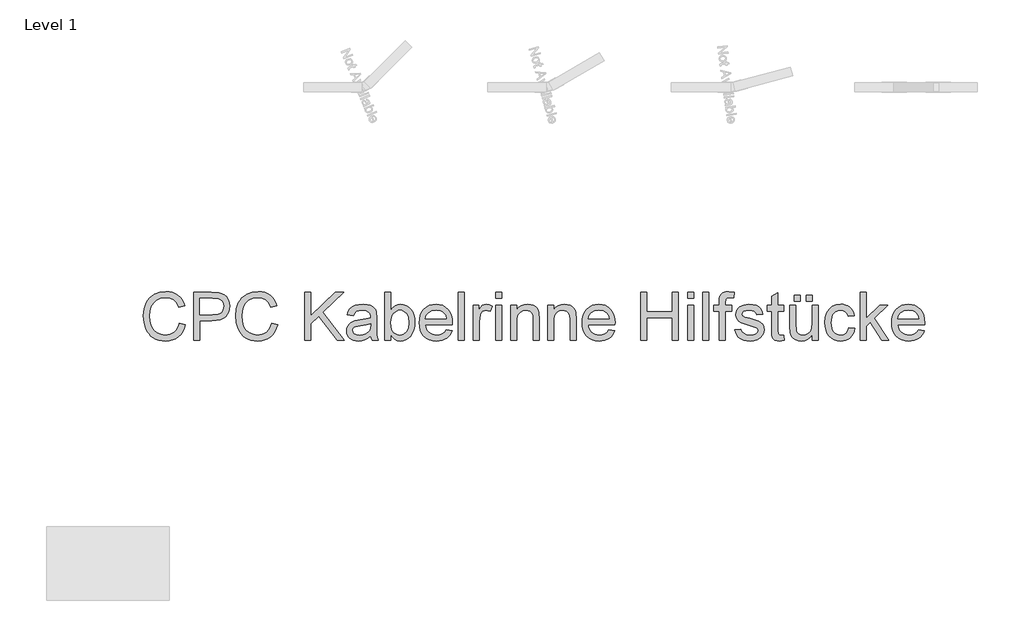
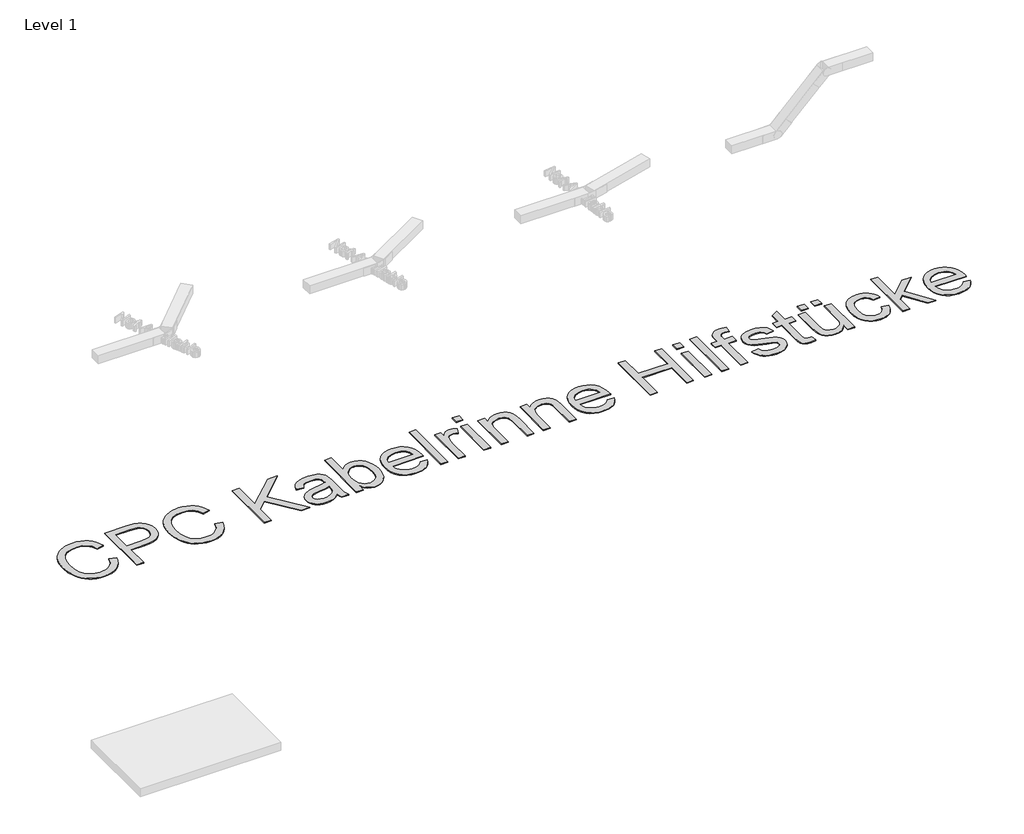
# One storey, part 15 of 15: 1 proxy.
"""IFC4 building model written with IfcOpenShell, lengths in millimetres."""

import ifcopenshell
import ifcopenshell.guid

model = None  # the IFC model being written
_history = None  # IfcOwnerHistory: only IFC2X3 demands one
_inside = {}  # id of a spatial element -> (the spatial element, [elements in it])
_under = {}  # id of a project, library or spatial element -> (it, [spatial elements below it])
_declared = {}  # id of a project -> (the project, [libraries it declares])
_typed = {}  # id of a type object -> (the type object, [elements of that type])
_made_of = {}  # id of a material, layer set ... -> (it, [elements and type objects made of it])


def new_model(schema):
    """Start an empty IFC model of exactly this schema.

    Asked for "IFC4X3", IfcOpenShell would pick the latest addendum, in which some entities
    have other attributes; the version numbers below select the first issue.
    IFC2X3 requires an IfcOwnerHistory on every rooted entity: one is made here for all.
    """
    global model, _history
    if schema == "IFC4X3":
        model = ifcopenshell.file(schema_version=(4, 3, 0, 0))
    else:
        model = ifcopenshell.file(schema=schema)
    _inside.clear()
    _under.clear()
    _declared.clear()
    _typed.clear()
    _made_of.clear()
    _history = None
    if model.schema == "IFC2X3":
        org = make("IfcOrganization", Name="unknown")
        user = make(
            "IfcPersonAndOrganization",
            ThePerson=make("IfcPerson", FamilyName="unknown"),
            TheOrganization=org,
        )
        app = make(
            "IfcApplication",
            ApplicationDeveloper=org,
            Version="unknown",
            ApplicationFullName="unknown",
            ApplicationIdentifier="unknown",
        )
        _history = make(
            "IfcOwnerHistory",
            OwningUser=user,
            OwningApplication=app,
            ChangeAction="ADDED",
            CreationDate=0,
        )
    return model


def make(cls, **values):
    """One entity of the class cls with the attributes given. An attribute that is None is left unset."""
    return model.create_entity(
        cls, **{name: value for name, value in values.items() if value is not None}
    )


def rooted(cls, **values):
    """An entity with a GlobalId (a new one), such as an element, a storey or a relation."""
    return make(cls, GlobalId=ifcopenshell.guid.new(), OwnerHistory=_history, **values)


def si_unit(unit_type, name, prefix=None):
    """IfcSIUnit, for example si_unit("LENGTHUNIT", "METRE", prefix="MILLI")."""
    return make("IfcSIUnit", UnitType=unit_type, Prefix=prefix, Name=name)


def assignment(units):
    """IfcUnitAssignment: the units of a project."""
    return None if units is None else make("IfcUnitAssignment", Units=units)


def point(xyz):
    """IfcCartesianPoint."""
    return None if xyz is None else make("IfcCartesianPoint", Coordinates=xyz)


def direction(xyz):
    """IfcDirection."""
    return None if xyz is None else make("IfcDirection", DirectionRatios=xyz)


def frame(location, z_axis=None, x_axis=None):
    """IfcAxis2Placement3D, a coordinate frame: its origin and axes. An axis left out is left unset."""
    return make(
        "IfcAxis2Placement3D",
        Location=point(location),
        Axis=direction(z_axis),
        RefDirection=direction(x_axis),
    )


def origin():
    """The frame at (0, 0, 0) with its axes left unset."""
    return frame((0.0, 0.0, 0.0))


def origin_with_axes():
    """The frame at (0, 0, 0) with the z axis (0, 0, 1) and the x axis (1, 0, 0) written out."""
    return frame((0.0, 0.0, 0.0), z_axis=(0.0, 0.0, 1.0), x_axis=(1.0, 0.0, 0.0))


def place(relative_to, where):
    """IfcLocalPlacement: puts the frame where relative to a parent placement (None: the world)."""
    return make(
        "IfcLocalPlacement", PlacementRelTo=relative_to, RelativePlacement=where
    )


def context(
    kind, dimensions, precision=None, world=None, true_north=None, identifier=None
):
    """IfcGeometricRepresentationContext, for example the 3D "Model" context."""
    return make(
        "IfcGeometricRepresentationContext",
        ContextIdentifier=identifier,
        ContextType=kind,
        CoordinateSpaceDimension=dimensions,
        Precision=precision,
        WorldCoordinateSystem=world,
        TrueNorth=true_north,
    )


def project(units=None, contexts=None):
    """IfcProject with its units and contexts."""
    return rooted(
        "IfcProject",
        Name="project",
        RepresentationContexts=contexts,
        UnitsInContext=assignment(units),
    )


def spatial(cls, under=None, at=None, **own):
    """A site, building, storey or space (cls), placed at a placement, below another one or the project."""
    s = rooted(cls, ObjectPlacement=at, **own)
    if under is not None:
        _under.setdefault(under.id(), (under, []))[1].append(s)
    return s


def polyline(points):
    """IfcPolyline through the points."""
    return make("IfcPolyline", Points=[point(p) for p in points])


def outline(outer, holes=None, kind="AREA"):
    """IfcArbitraryClosedProfileDef: a profile drawn as a closed curve; with holes, ...WithVoids."""
    if holes is None:
        return make("IfcArbitraryClosedProfileDef", ProfileType=kind, OuterCurve=outer)
    return make(
        "IfcArbitraryProfileDefWithVoids",
        ProfileType=kind,
        OuterCurve=outer,
        InnerCurves=holes,
    )


def extrude(swept, where, along, depth):
    """IfcExtrudedAreaSolid: the profile swept, set in the frame where, extruded along a direction by depth."""
    return make(
        "IfcExtrudedAreaSolid",
        SweptArea=swept,
        Position=where,
        ExtrudedDirection=direction(along),
        Depth=depth,
    )


def shape(context_of_items, identifier, shape_type, items):
    """IfcShapeRepresentation: the items that make up one representation, for example the "Body"."""
    return make(
        "IfcShapeRepresentation",
        ContextOfItems=context_of_items,
        RepresentationIdentifier=identifier,
        RepresentationType=shape_type,
        Items=items,
    )


def made_of(thing, what):
    """Note that an element or type object is made of a material, layer set ...; save() writes the relation."""
    if what is not None:
        _made_of.setdefault(what.id(), (what, []))[1].append(thing)
    return thing


def element(
    cls,
    number,
    at=None,
    inside=None,
    cuts=None,
    type_object=None,
    material=None,
    context=None,
    identifier="Body",
    shape_type=None,
    held_by="IfcProductDefinitionShape",
    body=None,
    shapes=None,
    **own,
):
    """One element of the class cls, such as IfcWall. Its Tag is "e" and its number.

    at: its placement. inside: the storey or other place that contains it. cuts: it is an
    opening in that element (IfcRelVoidsElement). A single representation is given by context,
    identifier, shape_type and body (its items); several are given by shapes. held_by: the class
    of the entity that holds the representations. save() writes the other relations.
    """
    e = rooted(cls, Tag="e%d" % number, ObjectPlacement=at, **own)
    if body is not None:
        shapes = [shape(context, identifier, shape_type, body)]
    if shapes is not None:
        e.Representation = make(held_by, Representations=shapes)
    if inside is not None:
        _inside.setdefault(inside.id(), (inside, []))[1].append(e)
    if cuts is not None:
        rooted(
            "IfcRelVoidsElement", RelatingBuildingElement=cuts, RelatedOpeningElement=e
        )
    if type_object is not None:
        _typed.setdefault(type_object.id(), (type_object, []))[1].append(e)
    return made_of(e, material)


def aggregate(whole, parts):
    """IfcRelAggregates: a whole, such as a stair, and the parts it consists of."""
    return rooted("IfcRelAggregates", RelatingObject=whole, RelatedObjects=parts)


def save(model, path):
    """Write the relations noted so far, then the file.

    IfcRelAggregates (storeys below a building ...), IfcRelContainedInSpatialStructure (elements
    in a storey), IfcRelDefinesByType, IfcRelAssociatesMaterial and IfcRelDeclares: one each for
    every whole, place, type object, material and project.
    """
    for whole, parts in _under.values():
        aggregate(whole, parts)
    for where, things in _inside.values():
        rooted(
            "IfcRelContainedInSpatialStructure",
            RelatedElements=things,
            RelatingStructure=where,
        )
    for kind, things in _typed.values():
        rooted("IfcRelDefinesByType", RelatedObjects=things, RelatingType=kind)
    for what, things in _made_of.values():
        rooted("IfcRelAssociatesMaterial", RelatedObjects=things, RelatingMaterial=what)
    for by, libraries in _declared.values():
        rooted("IfcRelDeclares", RelatingContext=by, RelatedDefinitions=libraries)
    model.write(path)


model = new_model("IFC4")

# Units and contexts
model_context = context("Model", 3, world=origin())
ifc_project = project(units=[si_unit("LENGTHUNIT", "METRE", prefix="MILLI")], contexts=[model_context])

# Site, building, storey
site = spatial("IfcSite", under=ifc_project)
building = spatial("IfcBuilding", under=site)
storey = spatial("IfcBuildingStorey", under=building, Name="Level 1", Elevation=0.0)

# Proxy
placement = place(None, origin())
element("IfcBuildingElementProxy", 1, Name="400mm", ObjectType="400mm", at=placement, inside=storey, context=model_context, shape_type="SweptSolid", body=[
    extrude(outline(polyline([(19171.0981237, -14471.3277461), (19220.0678207, -14483.9527461), (19210.3778941, -14514.4063741), (19197.47194, -14541.0163114), (19181.3499585, -14563.7825578), (19162.0119495, -14582.7051135), (19139.8942885, -14597.5807349), (19115.433351, -14608.2061788), (19088.629137, -14614.5814452), (19059.4816465, -14616.7065339), (19029.6198152, -14615.0985202), (19002.6811019, -14610.274479), (18978.6655065, -14602.2344104), (18957.573029, -14590.9783142), (18939.1137487, -14576.6735676), (18922.9977449, -14559.4875472), (18909.2250177, -14539.4202532), (18897.7955669, -14516.4716854), (18882.4088482, -14465.8999525), (18877.2799419, -14411.7415718), (18883.0783557, -14354.618229), (18890.326373, -14328.9796755), (18900.4735972, -14305.2898673), (18913.292874, -14283.9403467), (18928.5570489, -14265.3226561), (18946.2661221, -14249.4367955), (18966.4200934, -14236.282765), (19011.324923, -14218.6005917), (19060.5337298, -14212.7065339), (19088.5424597, -14214.613435), (19114.2258463, -14220.3341381), (19137.5838896, -14229.8686433), (19158.6165896, -14243.2169506), (19176.9772371, -14260.0263729), (19192.3191228, -14279.9442233), (19204.6422466, -14302.9705017), (19213.9466086, -14329.1052082), (19164.9769116, -14340.7737688), (19148.0001124, -14305.0627129), (19124.8064571, -14280.5659089), (19095.1090139, -14266.3986504), (19058.620851, -14261.6762309), (19016.5614286, -14266.9127366), (18982.0100555, -14282.6222536), (18955.7916607, -14307.1549241), (18938.731173, -14338.86089), (18929.3700224, -14374.7034563), (18926.2496389, -14411.6459279), (18929.943886, -14456.8855112), (18941.0266275, -14496.0038824), (18959.9163055, -14527.506605), (18987.0313624, -14549.8992423), (19019.5383463, -14563.2774383), (19054.6038055, -14567.736837), (19075.8935487, -14566.2184894), (19095.4796341, -14561.6634468), (19113.3620619, -14554.0717091), (19129.5408321, -14543.4432764), (19143.6333688, -14529.8259705), (19155.2570963, -14513.2676135), (19164.4120146, -14493.7682053), (19171.0981237, -14471.3277461)])), origin_with_axes(), (0.0, 0.0, 1.0), 5.0),
    extrude(outline(polyline([(19287.401154, -14610.5853218), (19287.401154, -14218.8277461), (19432.588654, -14218.8277461), (19491.1227449, -14222.5578597), (19517.2215849, -14229.5279118), (19538.7056048, -14240.8736741), (19556.0052023, -14257.1092328), (19569.5507752, -14278.7486741), (19578.3021957, -14304.2736504), (19581.2193358, -14332.1658142), (19579.2496685, -14356.2142872), (19573.3406663, -14378.337926), (19563.4923295, -14398.5367304), (19549.7046578, -14416.8107006), (19530.7761244, -14431.9583095), (19505.5052023, -14442.7780301), (19473.8918915, -14449.2698625), (19435.9361919, -14451.4338067), (19336.370851, -14451.4338067), (19336.370851, -14610.5853218), (19287.401154, -14610.5853218)]), holes=[polyline([(19336.370851, -14402.4641097), (19438.8055101, -14402.4641097), (19482.2278586, -14397.9688445), (19498.4155953, -14392.3497631), (19510.9210404, -14384.4830491), (19520.2523022, -14374.5779236), (19526.9174893, -14362.8436078), (19532.2496389, -14333.8874051), (19529.1053444, -14311.8892991), (19519.6724608, -14293.3343748), (19505.1226266, -14279.3703597), (19486.6274798, -14271.1449809), (19437.6577828, -14267.797443), (19336.370851, -14267.797443), (19336.370851, -14402.4641097)])]), origin_with_axes(), (0.0, 0.0, 1.0), 5.0),
    extrude(outline(polyline([(19924.0072146, -14471.3277461), (19972.9769116, -14483.9527461), (19963.286985, -14514.4063741), (19950.3810309, -14541.0163114), (19934.2590494, -14563.7825578), (19914.9210404, -14582.7051135), (19892.8033794, -14597.5807349), (19868.3424419, -14608.2061788), (19841.5382279, -14614.5814452), (19812.3907374, -14616.7065339), (19782.5289062, -14615.0985202), (19755.5901929, -14610.274479), (19731.5745974, -14602.2344104), (19710.4821199, -14590.9783142), (19692.0228396, -14576.6735676), (19675.9068358, -14559.4875472), (19662.1341086, -14539.4202532), (19650.7046578, -14516.4716854), (19635.3179391, -14465.8999525), (19630.1890328, -14411.7415718), (19635.9874466, -14354.618229), (19643.2354639, -14328.9796755), (19653.3826881, -14305.2898673), (19666.2019649, -14283.9403467), (19681.4661398, -14265.3226561), (19699.175213, -14249.4367955), (19719.3291843, -14236.282765), (19764.2340139, -14218.6005917), (19813.4428207, -14212.7065339), (19841.4515506, -14214.613435), (19867.1349372, -14220.3341381), (19890.4929805, -14229.8686433), (19911.5256805, -14243.2169506), (19929.886328, -14260.0263729), (19945.2282137, -14279.9442233), (19957.5513375, -14302.9705017), (19966.8556995, -14329.1052082), (19917.8860025, -14340.7737688), (19900.9092033, -14305.0627129), (19877.715548, -14280.5659089), (19848.0181048, -14266.3986504), (19811.5299419, -14261.6762309), (19769.4705196, -14266.9127366), (19734.9191465, -14282.6222536), (19708.7007516, -14307.1549241), (19691.6402639, -14338.86089), (19682.2791133, -14374.7034563), (19679.1587298, -14411.6459279), (19682.8529769, -14456.8855112), (19693.9357184, -14496.0038824), (19712.8253965, -14527.506605), (19739.9404533, -14549.8992423), (19772.4474372, -14563.2774383), (19807.5128965, -14567.736837), (19828.8026396, -14566.2184894), (19848.3887251, -14561.6634468), (19866.2711528, -14554.0717091), (19882.449923, -14543.4432764), (19896.5424597, -14529.8259705), (19908.1661872, -14513.2676135), (19917.3211055, -14493.7682053), (19924.0072146, -14471.3277461)])), origin_with_axes(), (0.0, 0.0, 1.0), 5.0),
    extrude(outline(polyline([(20193.340548, -14610.5853218), (20193.340548, -14218.8277461), (20242.3102449, -14218.8277461), (20242.3102449, -14410.5938445), (20443.1625177, -14218.8277461), (20511.6435783, -14218.8277461), (20343.0233131, -14379.89214), (20517.7647904, -14610.5853218), (20457.8916843, -14610.5853218), (20308.3045631, -14412.984943), (20242.3102449, -14475.9186551), (20242.3102449, -14610.5853218), (20193.340548, -14610.5853218)])), origin_with_axes(), (0.0, 0.0, 1.0), 5.0),
    extrude(outline(polyline([(20732.0072146, -14573.8580491), (20708.610316, -14593.9193654), (20684.5199987, -14607.0464961), (20659.1863103, -14614.2915245), (20632.059298, -14616.7065339), (20610.2554687, -14615.2539416), (20591.1356474, -14610.8961646), (20574.6998342, -14603.633203), (20560.948029, -14593.4650567), (20550.089453, -14581.0373223), (20542.3333273, -14566.9955964), (20537.6796519, -14551.3398791), (20536.1284268, -14534.0701703), (20538.4717033, -14513.7697442), (20545.5015328, -14495.3343748), (20556.3451644, -14479.5531248), (20570.1298472, -14467.2150567), (20604.4181995, -14451.1468748), (20646.7884646, -14443.7822915), (20696.8580669, -14436.0351324), (20731.7202828, -14426.9489582), (20732.0072146, -14416.0455491), (20728.6357658, -14394.1909089), (20718.5214192, -14379.89214), (20695.9016275, -14369.2756627), (20664.3869495, -14365.736837), (20635.215548, -14368.092069), (20614.8433889, -14375.157765), (20600.9511067, -14388.2251182), (20591.2193358, -14408.5853218), (20542.2496389, -14402.4641097), (20550.749994, -14375.6838067), (20563.4347715, -14354.64214), (20581.487565, -14338.5500472), (20606.0919684, -14326.6184658), (20636.1839429, -14319.2299714), (20670.6994495, -14316.76714), (20703.804208, -14318.9430396), (20730.0465139, -14325.4707385), (20749.8328538, -14335.2861978), (20763.5697146, -14347.3253786), (20772.6797999, -14362.2099667), (20778.5858131, -14380.5616476), (20780.9769116, -14423.4101324), (20780.9769116, -14484.3353218), (20783.463654, -14569.4106059), (20793.2193358, -14610.5853218), (20744.2496389, -14610.5853218), (20736.4068358, -14593.5607006), (20732.0072146, -14573.8580491)]), holes=[polyline([(20732.0072146, -14475.9186551), (20699.1056995, -14484.072301), (20653.0053207, -14490.9347536), (20610.8741654, -14498.8732006), (20599.9109788, -14504.3009942), (20591.7931995, -14511.7851324), (20586.7718927, -14520.7517517), (20585.0981237, -14530.6269885), (20588.7445489, -14545.1887783), (20599.6838245, -14557.1203597), (20617.6768406, -14565.0827176), (20642.4844874, -14567.736837), (20668.7865707, -14564.8077413), (20692.028048, -14556.0204544), (20710.869904, -14543.0726561), (20723.9731237, -14527.6620264), (20729.783493, -14511.7851324), (20731.7202828, -14489.7870264), (20732.0072146, -14475.9186551)])]), origin_with_axes(), (0.0, 0.0, 1.0), 5.0),
    extrude(outline(polyline([(20897.2799419, -14610.5853218), (20848.3102449, -14610.5853218), (20848.3102449, -14218.8277461), (20897.2799419, -14218.8277461), (20897.2799419, -14364.11089), (20913.3839902, -14343.3979994), (20931.5682942, -14328.6030775), (20951.8328538, -14319.7261244), (20974.1776692, -14316.76714), (20999.4037582, -14319.4332148), (21023.2430101, -14327.4314392), (21044.3324987, -14340.2596826), (21061.309298, -14357.4158142), (21074.615761, -14378.7324572), (21084.6942411, -14404.0422347), (21091.0426076, -14432.2930633), (21093.1587298, -14462.4328597), (21090.9678858, -14497.2113872), (21084.3953538, -14527.8054923), (21073.4411339, -14554.215175), (21058.105226, -14576.4404354), (21039.6967565, -14594.0568535), (21019.5248519, -14606.6400093), (20997.5895122, -14614.1899028), (20973.8907374, -14616.7065339), (20950.8106592, -14613.4606177), (20930.348834, -14603.7228692), (20912.5052615, -14587.4932882), (20897.2799419, -14564.7718748), (20897.2799419, -14610.5853218)]), holes=[polyline([(20897.2799419, -14464.7283142), (20900.6274798, -14505.5682764), (20910.6700934, -14533.2093748), (20922.5359197, -14548.3151395), (20936.3265802, -14559.1049714), (20952.042075, -14565.5788706), (20969.682404, -14567.736837), (20984.3278822, -14566.1467565), (20997.9451881, -14561.376515), (21022.0952828, -14542.2955491), (21031.7612984, -14528.0147134), (21038.6655953, -14510.6134942), (21044.1890328, -14466.4499051), (21038.8927497, -14421.6407195), (21032.2723957, -14404.2933), (21023.0039002, -14390.3173294), (20999.6070016, -14371.8819601), (20986.2497277, -14367.2731177), (20971.7865707, -14365.736837), (20957.1410925, -14367.3269175), (20943.5237866, -14372.0971589), (20919.3736919, -14391.1781248), (20909.7076763, -14405.3154946), (20902.8033794, -14422.2863161), (20897.2799419, -14464.7283142)])]), origin_with_axes(), (0.0, 0.0, 1.0), 5.0),
    extrude(outline(polyline([(21349.6757752, -14524.8883521), (21397.6890328, -14531.0095642), (21390.3274384, -14550.2399738), (21380.3894353, -14567.1868843), (21367.8750236, -14581.8502958), (21352.7842033, -14594.2302082), (21335.2723957, -14604.0636007), (21315.4950224, -14611.0874525), (21269.1435783, -14616.7065339), (21238.7586943, -14614.2825578), (21211.6854817, -14607.0106296), (21187.9239405, -14594.8907491), (21167.4740707, -14577.9229165), (21151.0292909, -14556.5793737), (21139.2830196, -14531.3323625), (21132.2352568, -14502.1818831), (21129.8860025, -14469.1279354), (21132.2591678, -14434.9531604), (21139.3786635, -14404.8312972), (21151.2444897, -14378.762346), (21167.8566465, -14356.7463067), (21188.2527165, -14339.2554212), (21211.4702828, -14326.7619317), (21237.5093453, -14319.2658379), (21266.369904, -14316.76714), (21294.3009232, -14319.2598602), (21319.5598898, -14326.7380207), (21342.1468039, -14339.2016215), (21362.0616654, -14356.6506627), (21378.3181462, -14378.6188801), (21389.9299182, -14404.6400093), (21396.8969814, -14434.7140505), (21399.2193358, -14468.8410036), (21398.932404, -14482.0398673), (21178.8556995, -14482.0398673), (21181.6921401, -14501.5811196), (21187.3321436, -14518.695407), (21195.7757101, -14533.3827295), (21207.0228396, -14545.643087), (21235.4410451, -14562.2133995), (21270.1000177, -14567.736837), (21296.1629911, -14565.1783616), (21318.1132752, -14557.5029354), (21335.9508699, -14544.2323389), (21349.6757752, -14524.8883521)]), holes=[polyline([(21178.8556995, -14433.0701703), (21350.2496389, -14433.0701703), (21343.6262961, -14407.1984847), (21330.6426313, -14388.6913824), (21317.2883463, -14378.6487688), (21302.0929154, -14371.4754733), (21266.1786161, -14365.736837), (21233.1695016, -14370.3157906), (21205.8751124, -14384.0526514), (21186.9017459, -14405.4649383), (21178.8556995, -14433.0701703)])]), origin_with_axes(), (0.0, 0.0, 1.0), 5.0),
    extrude(outline(polyline([(21448.1890328, -14610.5853218), (21448.1890328, -14218.8277461), (21497.1587298, -14218.8277461), (21497.1587298, -14610.5853218), (21448.1890328, -14610.5853218)])), origin_with_axes(), (0.0, 0.0, 1.0), 5.0),
    extrude(outline(polyline([(21570.6132752, -14610.5853218), (21570.6132752, -14322.8883521), (21613.4617601, -14322.8883521), (21613.4617601, -14365.4499051), (21629.2908321, -14340.7737688), (21643.8765328, -14326.23589), (21658.5100555, -14319.1343275), (21674.4825934, -14316.76714), (21698.871798, -14320.5450756), (21723.6435783, -14331.8788824), (21707.2884646, -14375.7794506), (21690.0725555, -14368.2474904), (21672.8566465, -14365.736837), (21658.2350792, -14368.1518464), (21645.167726, -14375.3968748), (21634.6110262, -14386.9219695), (21627.5214192, -14402.1771779), (21621.567584, -14429.5313445), (21619.5829722, -14459.3722536), (21619.5829722, -14610.5853218), (21570.6132752, -14610.5853218)])), origin_with_axes(), (0.0, 0.0, 1.0), 5.0),
    extrude(outline(polyline([(21754.2496389, -14610.5853218), (21754.2496389, -14322.8883521), (21803.2193358, -14322.8883521), (21803.2193358, -14610.5853218), (21754.2496389, -14610.5853218)])), origin_with_axes(), (0.0, 0.0, 1.0), 5.0),
    extrude(outline(polyline([(21754.2496389, -14267.797443), (21754.2496389, -14218.8277461), (21803.2193358, -14218.8277461), (21803.2193358, -14267.797443), (21754.2496389, -14267.797443)])), origin_with_axes(), (0.0, 0.0, 1.0), 5.0),
    extrude(outline(polyline([(21876.6738813, -14610.5853218), (21876.6738813, -14322.8883521), (21925.6435783, -14322.8883521), (21925.6435783, -14363.0588067), (21942.656244, -14342.8062025), (21963.0881805, -14328.3400567), (21986.9393879, -14319.6603692), (22014.2098661, -14316.76714), (22038.3480054, -14319.098461), (22060.4537108, -14326.0924241), (22078.8890802, -14336.8762783), (22092.0162108, -14350.5772726), (22100.9230527, -14367.1595406), (22106.6975555, -14386.5872158), (22109.2799419, -14433.9309658), (22109.2799419, -14610.5853218), (22060.3102449, -14610.5853218), (22060.3102449, -14440.5303976), (22058.8994968, -14415.2086646), (22054.6672525, -14397.203693), (22046.860316, -14384.3037167), (22034.7254911, -14374.2969695), (22019.1713955, -14367.8768701), (22001.1066465, -14365.736837), (21972.4254201, -14370.5429449), (21947.9764381, -14384.9612688), (21938.2058119, -14396.7314511), (21931.2267932, -14412.8175661), (21927.039382, -14433.219614), (21925.6435783, -14457.9375945), (21925.6435783, -14610.5853218), (21876.6738813, -14610.5853218)])), origin_with_axes(), (0.0, 0.0, 1.0), 5.0),
    extrude(outline(polyline([(22176.6132752, -14610.5853218), (22176.6132752, -14322.8883521), (22225.5829722, -14322.8883521), (22225.5829722, -14363.0588067), (22242.5956379, -14342.8062025), (22263.0275745, -14328.3400567), (22286.8787819, -14319.6603692), (22314.1492601, -14316.76714), (22338.2873993, -14319.098461), (22360.3931048, -14326.0924241), (22378.8284741, -14336.8762783), (22391.9556048, -14350.5772726), (22400.8624466, -14367.1595406), (22406.6369495, -14386.5872158), (22409.2193358, -14433.9309658), (22409.2193358, -14610.5853218), (22360.2496389, -14610.5853218), (22360.2496389, -14440.5303976), (22358.8388908, -14415.2086646), (22354.6066465, -14397.203693), (22346.7997099, -14384.3037167), (22334.6648851, -14374.2969695), (22319.1107894, -14367.8768701), (22301.0460404, -14365.736837), (22272.3648141, -14370.5429449), (22247.9158321, -14384.9612688), (22238.1452059, -14396.7314511), (22231.1661872, -14412.8175661), (22226.9787759, -14433.219614), (22225.5829722, -14457.9375945), (22225.5829722, -14610.5853218), (22176.6132752, -14610.5853218)])), origin_with_axes(), (0.0, 0.0, 1.0), 5.0),
    extrude(outline(polyline([(22677.9788055, -14524.8883521), (22725.9920631, -14531.0095642), (22718.6304687, -14550.2399738), (22708.6924656, -14567.1868843), (22696.1780539, -14581.8502958), (22681.0872336, -14594.2302082), (22663.575426, -14604.0636007), (22643.7980527, -14611.0874525), (22597.4466086, -14616.7065339), (22567.0617246, -14614.2825578), (22539.988512, -14607.0106296), (22516.2269708, -14594.8907491), (22495.777101, -14577.9229165), (22479.3323212, -14556.5793737), (22467.5860499, -14531.3323625), (22460.5382871, -14502.1818831), (22458.1890328, -14469.1279354), (22460.5621981, -14434.9531604), (22467.6816938, -14404.8312972), (22479.54752, -14378.762346), (22496.1596768, -14356.7463067), (22516.5557468, -14339.2554212), (22539.7733131, -14326.7619317), (22565.8123756, -14319.2658379), (22594.6729343, -14316.76714), (22622.6039535, -14319.2598602), (22647.8629201, -14326.7380207), (22670.4498342, -14339.2016215), (22690.3646957, -14356.6506627), (22706.6211765, -14378.6188801), (22718.2329485, -14404.6400093), (22725.2000117, -14434.7140505), (22727.5223661, -14468.8410036), (22727.2354343, -14482.0398673), (22507.1587298, -14482.0398673), (22509.9951704, -14501.5811196), (22515.6351739, -14518.695407), (22524.0787404, -14533.3827295), (22535.3258699, -14545.643087), (22563.7440754, -14562.2133995), (22598.403048, -14567.736837), (22624.4660215, -14565.1783616), (22646.4163055, -14557.5029354), (22664.2539002, -14544.2323389), (22677.9788055, -14524.8883521)]), holes=[polyline([(22507.1587298, -14433.0701703), (22678.5526692, -14433.0701703), (22671.9293264, -14407.1984847), (22658.9456616, -14388.6913824), (22645.5913766, -14378.6487688), (22630.3959457, -14371.4754733), (22594.4816465, -14365.736837), (22561.4725319, -14370.3157906), (22534.1781427, -14384.0526514), (22515.2047762, -14405.4649383), (22507.1587298, -14433.0701703)])]), origin_with_axes(), (0.0, 0.0, 1.0), 5.0),
    extrude(outline(polyline([(22935.6435783, -14610.5853218), (22935.6435783, -14218.8277461), (22984.6132752, -14218.8277461), (22984.6132752, -14377.9792612), (23192.7344874, -14377.9792612), (23192.7344874, -14218.8277461), (23241.7041843, -14218.8277461), (23241.7041843, -14610.5853218), (23192.7344874, -14610.5853218), (23192.7344874, -14426.9489582), (22984.6132752, -14426.9489582), (22984.6132752, -14610.5853218), (22935.6435783, -14610.5853218)])), origin_with_axes(), (0.0, 0.0, 1.0), 5.0),
    extrude(outline(polyline([(23321.2799419, -14610.5853218), (23321.2799419, -14322.8883521), (23370.2496389, -14322.8883521), (23370.2496389, -14610.5853218), (23321.2799419, -14610.5853218)])), origin_with_axes(), (0.0, 0.0, 1.0), 5.0),
    extrude(outline(polyline([(23321.2799419, -14267.797443), (23321.2799419, -14218.8277461), (23370.2496389, -14218.8277461), (23370.2496389, -14267.797443), (23321.2799419, -14267.797443)])), origin_with_axes(), (0.0, 0.0, 1.0), 5.0),
    extrude(outline(polyline([(23443.7041843, -14610.5853218), (23443.7041843, -14218.8277461), (23492.6738813, -14218.8277461), (23492.6738813, -14610.5853218), (23443.7041843, -14610.5853218)])), origin_with_axes(), (0.0, 0.0, 1.0), 5.0),
    extrude(outline(polyline([(23578.370851, -14610.5853218), (23578.370851, -14371.8580491), (23535.5223661, -14371.8580491), (23535.5223661, -14322.8883521), (23578.370851, -14322.8883521), (23578.370851, -14293.9082385), (23579.6620442, -14269.9255207), (23583.5356237, -14253.0682764), (23593.3869495, -14236.7848957), (23608.5943358, -14223.8968748), (23629.8751124, -14215.5041192), (23657.9466086, -14212.7065339), (23702.6123283, -14218.0625945), (23695.4390328, -14263.9716854), (23667.2240707, -14261.6762309), (23648.609369, -14263.7086646), (23636.3789002, -14269.8059658), (23629.600136, -14281.4506154), (23627.340548, -14300.1250945), (23627.340548, -14322.8883521), (23682.4314571, -14322.8883521), (23682.4314571, -14371.8580491), (23627.340548, -14371.8580491), (23627.340548, -14610.5853218), (23578.370851, -14610.5853218)])), origin_with_axes(), (0.0, 0.0, 1.0), 5.0),
    extrude(outline(polyline([(23706.9163055, -14524.8883521), (23755.8860025, -14518.76714), (23763.6092506, -14539.7131627), (23778.5536161, -14555.111837), (23800.814743, -14564.580587), (23830.4882752, -14567.736837), (23859.8031427, -14564.8436078), (23880.4144116, -14556.1639203), (23892.6090139, -14543.5867423), (23896.6738813, -14529.0010415), (23892.5851029, -14516.5195074), (23880.3187677, -14507.0029354), (23829.9144116, -14493.0389203), (23756.1729343, -14469.0801135), (23737.5104107, -14457.0409326), (23723.9887487, -14441.1042612), (23715.7753254, -14422.2863161), (23713.0375177, -14401.6033142), (23715.2373283, -14382.6299478), (23721.8367601, -14365.1151514), (23732.2380385, -14349.7523436), (23745.8433889, -14337.234943), (23776.9754911, -14322.7448862), (23819.1066465, -14316.76714), (23850.9799893, -14319.170194), (23878.6928207, -14326.3793559), (23900.9778586, -14337.6892517), (23916.5678207, -14352.3945074), (23926.8973661, -14371.5830728), (23933.401154, -14396.3428976), (23884.4314571, -14402.4641097), (23878.2504675, -14387.05348), (23866.0199987, -14375.4446968), (23847.6204959, -14368.1638019), (23822.932404, -14365.736837), (23794.8130858, -14368.0562025), (23776.0668737, -14375.0142991), (23765.5221294, -14385.0569127), (23762.0072146, -14396.6298294), (23767.8414949, -14410.8807764), (23786.1094874, -14421.6885415), (23828.2884646, -14432.1137309), (23900.1648851, -14455.1639203), (23919.1502071, -14466.1868843), (23933.5446199, -14481.2747158), (23942.6188387, -14500.4752366), (23945.6435783, -14523.8362688), (23942.092797, -14547.9863635), (23931.4404533, -14570.7017991), (23914.0930338, -14590.2012072), (23890.4570252, -14604.7032195), (23861.9073093, -14613.7057053), (23829.8187677, -14616.7065339), (23803.4628846, -14615.2599194), (23780.442584, -14610.9200756), (23760.7578657, -14603.6870027), (23744.4087298, -14593.5607006), (23731.0544447, -14580.5889913), (23720.354279, -14564.8196968), (23712.3082326, -14546.2528171), (23706.9163055, -14524.8883521)])), origin_with_axes(), (0.0, 0.0, 1.0), 5.0),
    extrude(outline(polyline([(24104.7950934, -14569.7453597), (24110.9163055, -14612.0199809), (24074.2846768, -14616.7065339), (24050.7801786, -14614.6741002), (24033.2534268, -14608.5767991), (24020.8675366, -14599.179782), (24012.7856237, -14587.2482006), (24008.3381805, -14566.7564866), (24006.8556995, -14531.6790718), (24006.8556995, -14371.8580491), (23970.1284268, -14371.8580491), (23970.1284268, -14322.8883521), (24006.8556995, -14322.8883521), (24006.8556995, -14252.9726324), (24055.8253965, -14224.1838067), (24055.8253965, -14322.8883521), (24104.7950934, -14322.8883521), (24104.7950934, -14371.8580491), (24055.8253965, -14371.8580491), (24055.8253965, -14530.2444127), (24058.4077828, -14555.4944127), (24066.7766275, -14564.4371211), (24083.4664949, -14567.736837), (24104.7950934, -14569.7453597)])), origin_with_axes(), (0.0, 0.0, 1.0), 5.0),
    extrude(outline(polyline([(24288.4314571, -14292.2822915), (24288.4314571, -14243.3125945), (24337.401154, -14243.3125945), (24337.401154, -14292.2822915), (24288.4314571, -14292.2822915)])), origin_with_axes(), (0.0, 0.0, 1.0), 5.0),
    extrude(outline(polyline([(24190.4920631, -14292.2822915), (24190.4920631, -14243.3125945), (24239.4617601, -14243.3125945), (24239.4617601, -14292.2822915), (24190.4920631, -14292.2822915)])), origin_with_axes(), (0.0, 0.0, 1.0), 5.0),
    extrude(outline(polyline([(24337.401154, -14610.5853218), (24337.401154, -14561.1374051), (24319.6831143, -14585.448899), (24299.0479343, -14602.8142517), (24275.4956143, -14613.2334634), (24249.026154, -14616.7065339), (24225.1749466, -14614.2676135), (24202.9735972, -14606.9508521), (24184.34694, -14595.9517991), (24171.2198093, -14582.4660036), (24162.3847004, -14566.086979), (24156.6341086, -14546.4082385), (24153.7647904, -14500.8817233), (24153.7647904, -14322.8883521), (24202.7344874, -14322.8883521), (24202.7344874, -14477.8315339), (24205.6994495, -14527.7576703), (24212.8368785, -14544.4116712), (24225.0673472, -14557.0725377), (24241.5778822, -14565.0707622), (24261.5555101, -14567.736837), (24282.6808652, -14565.0109847), (24302.4432942, -14556.8334279), (24318.7386304, -14543.9573625), (24329.4627071, -14527.1359847), (24335.4165423, -14504.0977508), (24337.401154, -14472.5711173), (24337.401154, -14322.8883521), (24386.370851, -14322.8883521), (24386.370851, -14610.5853218), (24337.401154, -14610.5853218)])), origin_with_axes(), (0.0, 0.0, 1.0), 5.0),
    extrude(outline(polyline([(24637.340548, -14506.5247158), (24686.3102449, -14512.6459279), (24680.9840731, -14535.7529059), (24672.6570726, -14556.1997868), (24661.3292435, -14573.9865706), (24647.0005858, -14589.1132574), (24630.2748519, -14601.1853159), (24611.7557942, -14609.8082148), (24591.4434126, -14614.9819542), (24569.3377071, -14616.7065339), (24541.8729521, -14614.3004911), (24517.2476266, -14607.0823625), (24495.4617305, -14595.0521483), (24476.5152639, -14578.2098483), (24461.179356, -14556.8722832), (24450.225136, -14531.3562735), (24443.6526041, -14501.6618192), (24441.4617601, -14467.7889203), (24445.2038292, -14424.2111504), (24456.4300366, -14386.4437498), (24475.3197146, -14355.9452887), (24502.0521957, -14334.174337), (24534.0331379, -14321.1189392), (24568.6681995, -14316.76714), (24590.3943181, -14318.2615765), (24610.0461588, -14322.7448862), (24627.6237215, -14330.217069), (24643.1270063, -14340.6781248), (24656.2929923, -14353.888944), (24666.8586588, -14369.6104165), (24674.8240056, -14387.8425425), (24680.1890328, -14408.5853218), (24631.2193358, -14414.7065339), (24622.336405, -14393.342069), (24608.5039002, -14378.0270832), (24590.4869732, -14368.8093985), (24569.0507752, -14365.736837), (24552.4117187, -14367.2492068), (24537.4045868, -14371.7863161), (24524.0293796, -14379.3481651), (24512.2860972, -14389.9347536), (24502.7246921, -14403.7911694), (24495.8951171, -14421.1624998), (24490.4314571, -14466.4499051), (24495.7755622, -14512.3470406), (24502.4556936, -14529.8349371), (24511.8078775, -14543.6823862), (24523.3180278, -14554.2062084), (24536.4720584, -14561.7232243), (24551.2699691, -14566.2334338), (24567.7117601, -14567.736837), (24593.0693595, -14563.9828123), (24613.8599608, -14552.7207385), (24628.9836588, -14533.6636836), (24637.340548, -14506.5247158)])), origin_with_axes(), (0.0, 0.0, 1.0), 5.0),
    extrude(outline(polyline([(24729.1587298, -14610.5853218), (24729.1587298, -14218.8277461), (24778.1284268, -14218.8277461), (24778.1284268, -14429.3400567), (24887.9276692, -14322.8883521), (24955.6435783, -14322.8883521), (24844.5053207, -14430.6790718), (24961.7647904, -14610.5853218), (24904.5697146, -14610.5853218), (24809.4039949, -14464.7283142), (24778.1284268, -14495.047443), (24778.1284268, -14610.5853218), (24729.1587298, -14610.5853218)])), origin_with_axes(), (0.0, 0.0, 1.0), 5.0),
    extrude(outline(polyline([(25206.0394116, -14524.8883521), (25254.0526692, -14531.0095642), (25246.6910747, -14550.2399738), (25236.7530716, -14567.1868843), (25224.2386599, -14581.8502958), (25209.1478396, -14594.2302082), (25191.6360321, -14604.0636007), (25171.8586588, -14611.0874525), (25125.5072146, -14616.7065339), (25095.1223306, -14614.2825578), (25068.049118, -14607.0106296), (25044.2875768, -14594.8907491), (25023.8377071, -14577.9229165), (25007.3929272, -14556.5793737), (24995.6466559, -14531.3323625), (24988.5988931, -14502.1818831), (24986.2496389, -14469.1279354), (24988.6228041, -14434.9531604), (24995.7422999, -14404.8312972), (25007.6081261, -14378.762346), (25024.2202828, -14356.7463067), (25044.6163529, -14339.2554212), (25067.8339192, -14326.7619317), (25093.8729817, -14319.2658379), (25122.7335404, -14316.76714), (25150.6645596, -14319.2598602), (25175.9235262, -14326.7380207), (25198.5104402, -14339.2016215), (25218.4253018, -14356.6506627), (25234.6817826, -14378.6188801), (25246.2935546, -14404.6400093), (25253.2606178, -14434.7140505), (25255.5829722, -14468.8410036), (25255.2960404, -14482.0398673), (25035.2193358, -14482.0398673), (25038.0557764, -14501.5811196), (25043.69578, -14518.695407), (25052.1393465, -14533.3827295), (25063.386476, -14545.643087), (25091.8046815, -14562.2133995), (25126.463654, -14567.736837), (25152.5266275, -14565.1783616), (25174.4769116, -14557.5029354), (25192.3145063, -14544.2323389), (25206.0394116, -14524.8883521)]), holes=[polyline([(25035.2193358, -14433.0701703), (25206.6132752, -14433.0701703), (25199.9899324, -14407.1984847), (25187.0062677, -14388.6913824), (25173.6519826, -14378.6487688), (25158.4565518, -14371.4754733), (25122.5422525, -14365.736837), (25089.5331379, -14370.3157906), (25062.2387487, -14384.0526514), (25043.2653822, -14405.4649383), (25035.2193358, -14433.0701703)])]), origin_with_axes(), (0.0, 0.0, 1.0), 5.0),
])

save(model, "model.ifc")
